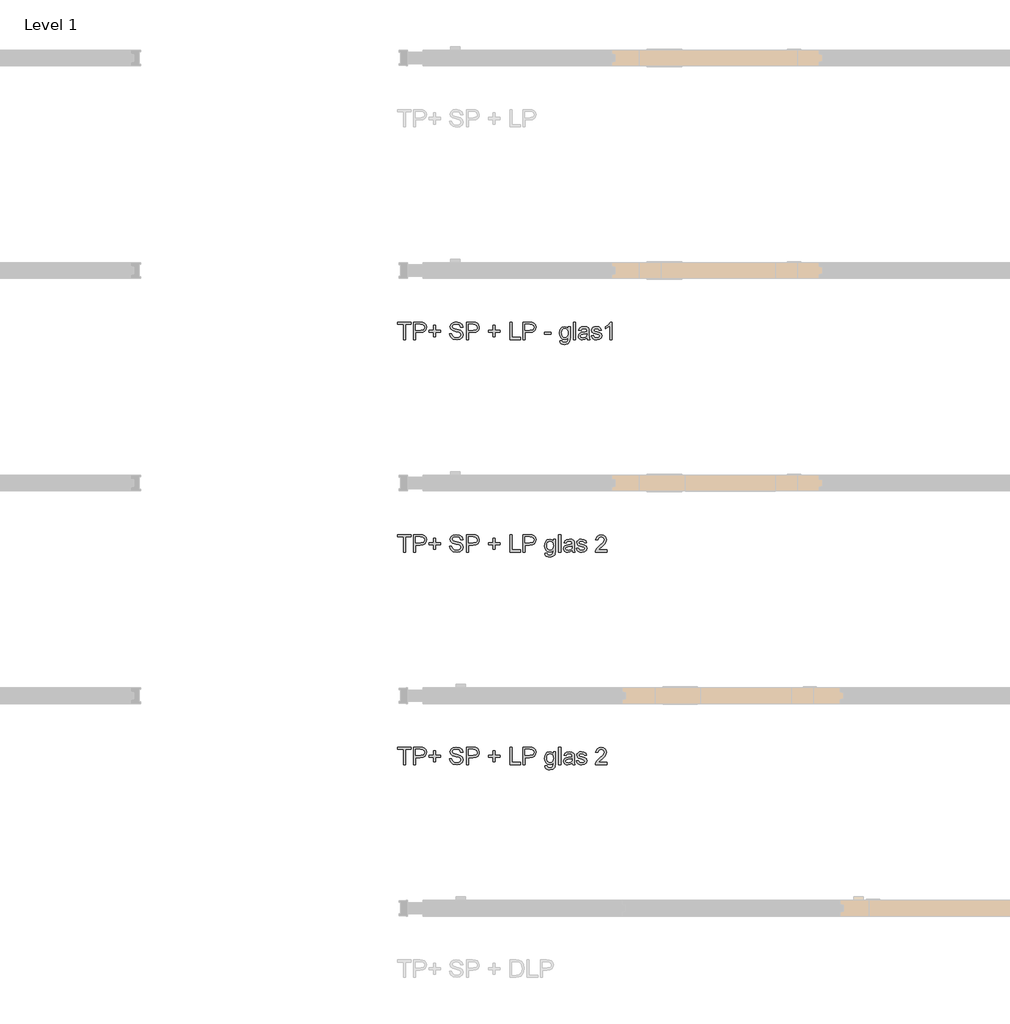
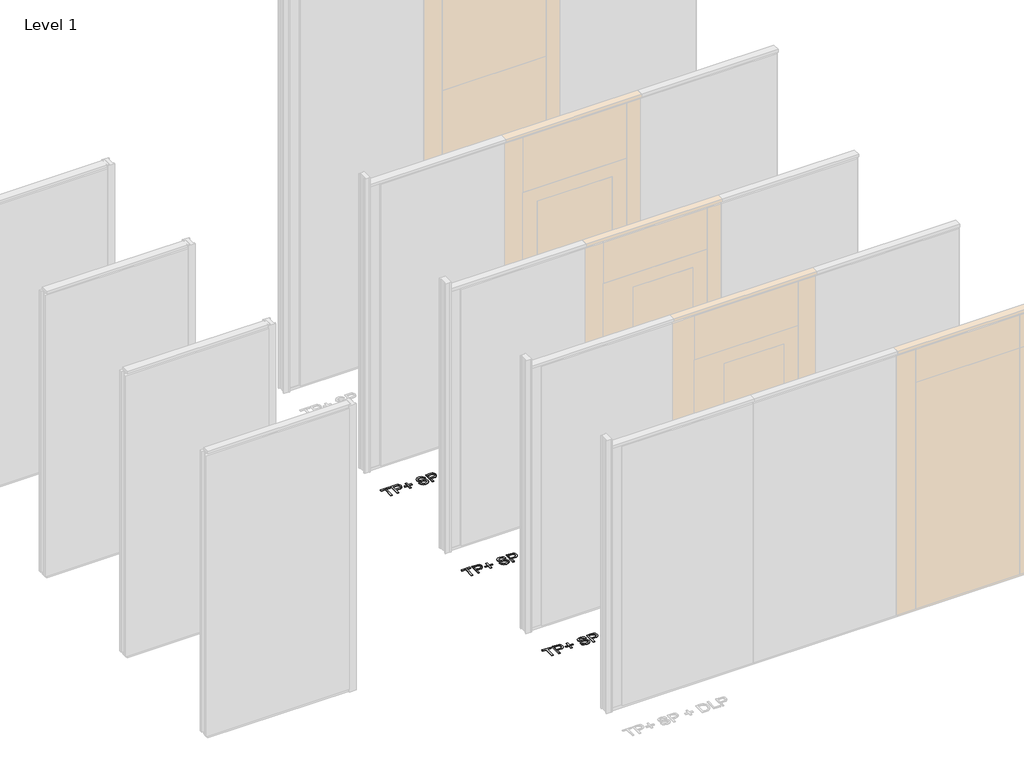
# One storey, part 11 of 17: 3 proxies.
"""IFC4 building model written with IfcOpenShell, lengths in millimetres."""

from ifc_helpers import new_model, si_unit, origin, origin_with_axes, place, context, project, spatial, polyline, outline, extrude, element, save

model = new_model("IFC4")

# Units and contexts
model_context = context("Model", 3, world=origin())
ifc_project = project(units=[si_unit("LENGTHUNIT", "METRE", prefix="MILLI")], contexts=[model_context])

# Site, building, storey
site = spatial("IfcSite", under=ifc_project)
building = spatial("IfcBuilding", under=site)
storey = spatial("IfcBuildingStorey", under=building, Name="Level 1", Elevation=0.0)

# Proxies
placement = place(None, origin())
element("IfcBuildingElementProxy", 1, Name="100 mm", ObjectType="100 mm", at=placement, inside=storey, context=model_context, shape_type="SweptSolid", body=[
    extrude(outline(polyline([(-5974.5064356, 492.9102169), (-5974.5064356, 579.0640631), (-6006.8141279, 579.0640631), (-6006.8141279, 591.3717554), (-5929.891051, 591.3717554), (-5929.891051, 579.0640631), (-5962.1987433, 579.0640631), (-5962.1987433, 492.9102169), (-5974.5064356, 492.9102169)])), origin_with_axes(), (0.0, 0.0, 1.0), 5.0),
    extrude(outline(polyline([(-5916.0448971, 492.9102169), (-5916.0448971, 591.3717554), (-5879.5545125, 591.3717554), (-5864.842974, 590.4342554), (-5852.8838394, 585.83089), (-5845.1314356, 576.3116592), (-5842.1987433, 562.8861784), (-5844.1789115, 551.2816111), (-5850.1194164, 541.61214), (-5861.2281904, 535.0856977), (-5878.7131664, 532.9102169), (-5903.7372048, 532.9102169), (-5903.7372048, 492.9102169), (-5916.0448971, 492.9102169)]), holes=[polyline([(-5903.7372048, 545.2179092), (-5877.9920125, 545.2179092), (-5859.8670125, 549.73714), (-5855.8465798, 555.1758419), (-5854.5064356, 562.4534861), (-5857.6674933, 572.6457938), (-5865.9727817, 578.2227169), (-5878.280474, 579.0640631), (-5903.7372048, 579.0640631), (-5903.7372048, 545.2179092)])]), origin_with_axes(), (0.0, 0.0, 1.0), 5.0),
    extrude(outline(polyline([(-5802.1987433, 508.2948323), (-5802.1987433, 534.4486784), (-5828.3525894, 534.4486784), (-5828.3525894, 546.7563707), (-5802.1987433, 546.7563707), (-5802.1987433, 572.9102169), (-5789.891051, 572.9102169), (-5789.891051, 546.7563707), (-5763.7372048, 546.7563707), (-5763.7372048, 534.4486784), (-5789.891051, 534.4486784), (-5789.891051, 508.2948323), (-5802.1987433, 508.2948323)])), origin_with_axes(), (0.0, 0.0, 1.0), 5.0),
    extrude(outline(polyline([(-5711.4295125, 526.7563707), (-5699.1218202, 526.7563707), (-5695.155474, 514.4366592), (-5685.467974, 506.6481977), (-5670.7083587, 503.6794477), (-5657.8477817, 505.9270438), (-5649.5424933, 512.1049284), (-5646.8141279, 520.36214), (-5648.8573971, 528.0424284), (-5657.2227817, 533.6313707), (-5675.1434548, 538.33089), (-5694.4343202, 544.4006015), (-5704.9030702, 553.5592554), (-5708.3525894, 565.7948323), (-5704.0857625, 579.7251207), (-5691.6218202, 589.5568515), (-5673.3766279, 592.9102169), (-5653.905474, 589.4006015), (-5640.9247048, 579.0881015), (-5636.0448971, 563.6794477), (-5648.3525894, 563.6794477), (-5655.3237433, 576.3236784), (-5672.8958587, 580.6025246), (-5690.516051, 576.3717554), (-5696.0448971, 566.1554092), (-5692.1266279, 557.6217554), (-5672.030474, 550.7467554), (-5650.2516279, 544.5688707), (-5638.3405702, 534.5929092), (-5634.5064356, 520.67464), (-5638.9174933, 505.9510823), (-5651.609801, 495.20589), (-5670.2275894, 491.3717554), (-5692.2107625, 495.5063707), (-5706.1170125, 507.9582938), (-5711.4295125, 526.7563707)])), origin_with_axes(), (0.0, 0.0, 1.0), 5.0),
    extrude(outline(polyline([(-5616.0448971, 492.9102169), (-5616.0448971, 591.3717554), (-5579.5545125, 591.3717554), (-5564.842974, 590.4342554), (-5552.8838394, 585.83089), (-5545.1314356, 576.3116592), (-5542.1987433, 562.8861784), (-5544.1789115, 551.2816111), (-5550.1194164, 541.61214), (-5561.2281904, 535.0856977), (-5578.7131664, 532.9102169), (-5603.7372048, 532.9102169), (-5603.7372048, 492.9102169), (-5616.0448971, 492.9102169)]), holes=[polyline([(-5603.7372048, 545.2179092), (-5577.9920125, 545.2179092), (-5559.8670125, 549.73714), (-5555.8465798, 555.1758419), (-5554.5064356, 562.4534861), (-5557.6674933, 572.6457938), (-5565.9727817, 578.2227169), (-5578.280474, 579.0640631), (-5603.7372048, 579.0640631), (-5603.7372048, 545.2179092)])]), origin_with_axes(), (0.0, 0.0, 1.0), 5.0),
    extrude(outline(polyline([(-5463.7372048, 508.2948323), (-5463.7372048, 534.4486784), (-5489.891051, 534.4486784), (-5489.891051, 546.7563707), (-5463.7372048, 546.7563707), (-5463.7372048, 572.9102169), (-5451.4295125, 572.9102169), (-5451.4295125, 546.7563707), (-5425.2756664, 546.7563707), (-5425.2756664, 534.4486784), (-5451.4295125, 534.4486784), (-5451.4295125, 508.2948323), (-5463.7372048, 508.2948323)])), origin_with_axes(), (0.0, 0.0, 1.0), 5.0),
    extrude(outline(polyline([(-5368.3525894, 492.9102169), (-5368.3525894, 591.3717554), (-5356.0448971, 591.3717554), (-5356.0448971, 505.2179092), (-5306.8141279, 505.2179092), (-5306.8141279, 492.9102169), (-5368.3525894, 492.9102169)])), origin_with_axes(), (0.0, 0.0, 1.0), 5.0),
    extrude(outline(polyline([(-5292.967974, 492.9102169), (-5292.967974, 591.3717554), (-5256.4775894, 591.3717554), (-5241.766051, 590.4342554), (-5229.8069164, 585.83089), (-5222.0545125, 576.3116592), (-5219.1218202, 562.8861784), (-5221.1019885, 551.2816111), (-5227.0424933, 541.61214), (-5238.1512673, 535.0856977), (-5255.6362433, 532.9102169), (-5280.6602817, 532.9102169), (-5280.6602817, 492.9102169), (-5292.967974, 492.9102169)]), holes=[polyline([(-5280.6602817, 545.2179092), (-5254.9150894, 545.2179092), (-5236.7900894, 549.73714), (-5232.7696567, 555.1758419), (-5231.4295125, 562.4534861), (-5234.5905702, 572.6457938), (-5242.8958587, 578.2227169), (-5255.203551, 579.0640631), (-5280.6602817, 579.0640631), (-5280.6602817, 545.2179092)])]), origin_with_axes(), (0.0, 0.0, 1.0), 5.0),
    extrude(outline(polyline([(-5168.3525894, 486.7563707), (-5156.0448971, 485.2179092), (-5152.0545125, 478.7275246), (-5140.1073971, 475.98714), (-5127.5112433, 479.0881015), (-5121.5016279, 487.7900246), (-5120.6602817, 502.1409861), (-5129.3261471, 495.2179092), (-5139.891051, 492.9102169), (-5152.5803539, 495.596515), (-5162.0424933, 503.6554092), (-5167.9289115, 515.4703131), (-5169.891051, 529.42464), (-5166.3694164, 548.4991592), (-5156.1771087, 561.9967554), (-5140.4920125, 566.7563707), (-5129.5124452, 564.0640631), (-5120.6602817, 555.98714), (-5120.6602817, 565.2179092), (-5108.3525894, 565.2179092), (-5108.3525894, 502.7900246), (-5111.717974, 478.8837746), (-5122.3790317, 467.7659861), (-5140.3477817, 463.6794477), (-5151.7991039, 465.1187506), (-5160.8165317, 469.4366592), (-5166.6007865, 476.6451929), (-5168.3525894, 486.7563707)]), holes=[polyline([(-5157.5833587, 530.2659861), (-5156.2702577, 518.9769236), (-5152.3309548, 511.2155054), (-5146.4084789, 506.7173082), (-5139.1458587, 505.2179092), (-5131.937325, 506.7082938), (-5125.984801, 511.1794477), (-5121.9914115, 518.8417073), (-5120.6602817, 529.9054092), (-5122.030474, 540.5754813), (-5126.141051, 548.2587746), (-5132.1807144, 552.9012025), (-5139.3381664, 554.4486784), (-5146.3664115, 552.9252409), (-5152.2588394, 548.3549284), (-5156.2522289, 540.7858179), (-5157.5833587, 530.2659861)])]), origin_with_axes(), (0.0, 0.0, 1.0), 5.0),
    extrude(outline(polyline([(-5089.891051, 492.9102169), (-5089.891051, 591.3717554), (-5077.5833587, 591.3717554), (-5077.5833587, 492.9102169), (-5089.891051, 492.9102169)])), origin_with_axes(), (0.0, 0.0, 1.0), 5.0),
    extrude(outline(polyline([(-5012.967974, 502.1409861), (-5024.9030702, 493.79964), (-5038.0881664, 491.3717554), (-5048.3736231, 492.8320919), (-5055.9607625, 497.2131015), (-5060.6392481, 503.8657457), (-5062.1987433, 512.1409861), (-5059.842974, 521.8765631), (-5053.6530702, 528.9438707), (-5045.0352817, 532.9823323), (-5034.3862433, 534.8332938), (-5013.0400894, 539.0640631), (-5012.967974, 541.8044477), (-5016.3573971, 550.8909861), (-5029.9631664, 554.4486784), (-5042.4150894, 552.08089), (-5048.3525894, 543.6794477), (-5060.6602817, 545.2179092), (-5055.3357625, 557.23714), (-5044.6146087, 564.2804092), (-5028.3766279, 566.7563707), (-5013.4607625, 564.5688707), (-5005.0352817, 559.0760823), (-5001.2612433, 550.7227169), (-5000.6602817, 539.9534861), (-5000.6602817, 524.6409861), (-5000.0352817, 503.2587746), (-4997.5833587, 492.9102169), (-5009.891051, 492.9102169), (-5012.967974, 502.1409861)]), holes=[polyline([(-5012.967974, 526.7563707), (-5032.8237433, 522.9823323), (-5043.4126856, 520.98714), (-5048.2083587, 517.7419477), (-5049.891051, 513.0063707), (-5046.2251856, 506.3477169), (-5035.467974, 503.6794477), (-5023.016051, 506.6241592), (-5014.9872048, 513.7515631), (-5013.0400894, 523.2707938), (-5012.967974, 526.7563707)])]), origin_with_axes(), (0.0, 0.0, 1.0), 5.0),
    extrude(outline(polyline([(-4988.3525894, 514.4486784), (-4976.0448971, 515.98714), (-4970.3477817, 506.8525246), (-4957.2948971, 503.6794477), (-4944.7468202, 506.5881015), (-4940.6602817, 513.4150246), (-4944.7708587, 518.9438707), (-4957.4391279, 522.4534861), (-4975.9727817, 528.4751207), (-4984.061724, 535.5063707), (-4986.8141279, 545.4342554), (-4984.6025894, 554.6049284), (-4978.5689356, 561.61214), (-4970.7444164, 565.2539669), (-4960.155474, 566.7563707), (-4945.1795125, 564.3405054), (-4935.6602817, 557.8020438), (-4931.4295125, 546.7563707), (-4943.7372048, 545.2179092), (-4948.3646087, 552.0087746), (-4959.1939356, 554.4486784), (-4970.9727817, 552.1169477), (-4974.5064356, 546.6842554), (-4973.0400894, 543.1025246), (-4968.4487433, 540.3861784), (-4957.8477817, 537.7659861), (-4939.7828779, 531.9727169), (-4931.3934548, 525.4102169), (-4928.3525894, 514.7131015), (-4931.922301, 502.9342554), (-4942.2227817, 494.3885823), (-4957.4631664, 491.3717554), (-4969.8730221, 492.8260823), (-4978.9295125, 497.1890631), (-4984.9751856, 504.4126207), (-4988.3525894, 514.4486784)])), origin_with_axes(), (0.0, 0.0, 1.0), 5.0),
    extrude(outline(polyline([(-4816.0448971, 505.2179092), (-4816.0448971, 492.9102169), (-4880.6602817, 492.9102169), (-4879.3381664, 501.3957938), (-4871.8622048, 514.4606977), (-4856.453551, 528.7275246), (-4835.203551, 549.2323323), (-4829.891051, 563.17464), (-4834.9030702, 574.4606977), (-4847.9920125, 579.0640631), (-4861.6338394, 574.5688707), (-4866.8141279, 562.1409861), (-4879.1218202, 563.6794477), (-4876.1380462, 575.5844957), (-4869.686724, 584.2804092), (-4860.1043923, 589.5989188), (-4847.7275894, 591.3717554), (-4835.2606423, 589.4006015), (-4825.6963394, 583.48714), (-4819.6116039, 574.6530054), (-4817.5833587, 563.9198323), (-4819.7708587, 552.2491592), (-4827.0424933, 540.1818515), (-4844.6747048, 523.3188707), (-4858.8333587, 511.4799284), (-4864.3862433, 505.2179092), (-4816.0448971, 505.2179092)])), origin_with_axes(), (0.0, 0.0, 1.0), 5.0),
])
element("IfcBuildingElementProxy", 2, Name="100 mm", ObjectType="100 mm", at=placement, inside=storey, context=model_context, shape_type="SweptSolid", body=[
    extrude(outline(polyline([(-5974.5064356, 2912.9102169), (-5974.5064356, 2999.0640631), (-6006.8141279, 2999.0640631), (-6006.8141279, 3011.3717554), (-5929.891051, 3011.3717554), (-5929.891051, 2999.0640631), (-5962.1987433, 2999.0640631), (-5962.1987433, 2912.9102169), (-5974.5064356, 2912.9102169)])), origin_with_axes(), (0.0, 0.0, 1.0), 5.0),
    extrude(outline(polyline([(-5916.0448971, 2912.9102169), (-5916.0448971, 3011.3717554), (-5879.5545125, 3011.3717554), (-5864.842974, 3010.4342554), (-5852.8838394, 3005.83089), (-5845.1314356, 2996.3116592), (-5842.1987433, 2982.8861784), (-5844.1789115, 2971.2816111), (-5850.1194164, 2961.61214), (-5861.2281904, 2955.0856977), (-5878.7131664, 2952.9102169), (-5903.7372048, 2952.9102169), (-5903.7372048, 2912.9102169), (-5916.0448971, 2912.9102169)]), holes=[polyline([(-5903.7372048, 2965.2179092), (-5877.9920125, 2965.2179092), (-5859.8670125, 2969.73714), (-5855.8465798, 2975.1758419), (-5854.5064356, 2982.4534861), (-5857.6674933, 2992.6457938), (-5865.9727817, 2998.2227169), (-5878.280474, 2999.0640631), (-5903.7372048, 2999.0640631), (-5903.7372048, 2965.2179092)])]), origin_with_axes(), (0.0, 0.0, 1.0), 5.0),
    extrude(outline(polyline([(-5802.1987433, 2928.2948323), (-5802.1987433, 2954.4486784), (-5828.3525894, 2954.4486784), (-5828.3525894, 2966.7563707), (-5802.1987433, 2966.7563707), (-5802.1987433, 2992.9102169), (-5789.891051, 2992.9102169), (-5789.891051, 2966.7563707), (-5763.7372048, 2966.7563707), (-5763.7372048, 2954.4486784), (-5789.891051, 2954.4486784), (-5789.891051, 2928.2948323), (-5802.1987433, 2928.2948323)])), origin_with_axes(), (0.0, 0.0, 1.0), 5.0),
    extrude(outline(polyline([(-5711.4295125, 2946.7563707), (-5699.1218202, 2946.7563707), (-5695.155474, 2934.4366592), (-5685.467974, 2926.6481977), (-5670.7083587, 2923.6794477), (-5657.8477817, 2925.9270438), (-5649.5424933, 2932.1049284), (-5646.8141279, 2940.36214), (-5648.8573971, 2948.0424284), (-5657.2227817, 2953.6313707), (-5675.1434548, 2958.33089), (-5694.4343202, 2964.4006015), (-5704.9030702, 2973.5592554), (-5708.3525894, 2985.7948323), (-5704.0857625, 2999.7251207), (-5691.6218202, 3009.5568515), (-5673.3766279, 3012.9102169), (-5653.905474, 3009.4006015), (-5640.9247048, 2999.0881015), (-5636.0448971, 2983.6794477), (-5648.3525894, 2983.6794477), (-5655.3237433, 2996.3236784), (-5672.8958587, 3000.6025246), (-5690.516051, 2996.3717554), (-5696.0448971, 2986.1554092), (-5692.1266279, 2977.6217554), (-5672.030474, 2970.7467554), (-5650.2516279, 2964.5688707), (-5638.3405702, 2954.5929092), (-5634.5064356, 2940.67464), (-5638.9174933, 2925.9510823), (-5651.609801, 2915.20589), (-5670.2275894, 2911.3717554), (-5692.2107625, 2915.5063707), (-5706.1170125, 2927.9582938), (-5711.4295125, 2946.7563707)])), origin_with_axes(), (0.0, 0.0, 1.0), 5.0),
    extrude(outline(polyline([(-5616.0448971, 2912.9102169), (-5616.0448971, 3011.3717554), (-5579.5545125, 3011.3717554), (-5564.842974, 3010.4342554), (-5552.8838394, 3005.83089), (-5545.1314356, 2996.3116592), (-5542.1987433, 2982.8861784), (-5544.1789115, 2971.2816111), (-5550.1194164, 2961.61214), (-5561.2281904, 2955.0856977), (-5578.7131664, 2952.9102169), (-5603.7372048, 2952.9102169), (-5603.7372048, 2912.9102169), (-5616.0448971, 2912.9102169)]), holes=[polyline([(-5603.7372048, 2965.2179092), (-5577.9920125, 2965.2179092), (-5559.8670125, 2969.73714), (-5555.8465798, 2975.1758419), (-5554.5064356, 2982.4534861), (-5557.6674933, 2992.6457938), (-5565.9727817, 2998.2227169), (-5578.280474, 2999.0640631), (-5603.7372048, 2999.0640631), (-5603.7372048, 2965.2179092)])]), origin_with_axes(), (0.0, 0.0, 1.0), 5.0),
    extrude(outline(polyline([(-5463.7372048, 2928.2948323), (-5463.7372048, 2954.4486784), (-5489.891051, 2954.4486784), (-5489.891051, 2966.7563707), (-5463.7372048, 2966.7563707), (-5463.7372048, 2992.9102169), (-5451.4295125, 2992.9102169), (-5451.4295125, 2966.7563707), (-5425.2756664, 2966.7563707), (-5425.2756664, 2954.4486784), (-5451.4295125, 2954.4486784), (-5451.4295125, 2928.2948323), (-5463.7372048, 2928.2948323)])), origin_with_axes(), (0.0, 0.0, 1.0), 5.0),
    extrude(outline(polyline([(-5368.3525894, 2912.9102169), (-5368.3525894, 3011.3717554), (-5356.0448971, 3011.3717554), (-5356.0448971, 2925.2179092), (-5306.8141279, 2925.2179092), (-5306.8141279, 2912.9102169), (-5368.3525894, 2912.9102169)])), origin_with_axes(), (0.0, 0.0, 1.0), 5.0),
    extrude(outline(polyline([(-5292.967974, 2912.9102169), (-5292.967974, 3011.3717554), (-5256.4775894, 3011.3717554), (-5241.766051, 3010.4342554), (-5229.8069164, 3005.83089), (-5222.0545125, 2996.3116592), (-5219.1218202, 2982.8861784), (-5221.1019885, 2971.2816111), (-5227.0424933, 2961.61214), (-5238.1512673, 2955.0856977), (-5255.6362433, 2952.9102169), (-5280.6602817, 2952.9102169), (-5280.6602817, 2912.9102169), (-5292.967974, 2912.9102169)]), holes=[polyline([(-5280.6602817, 2965.2179092), (-5254.9150894, 2965.2179092), (-5236.7900894, 2969.73714), (-5232.7696567, 2975.1758419), (-5231.4295125, 2982.4534861), (-5234.5905702, 2992.6457938), (-5242.8958587, 2998.2227169), (-5255.203551, 2999.0640631), (-5280.6602817, 2999.0640631), (-5280.6602817, 2965.2179092)])]), origin_with_axes(), (0.0, 0.0, 1.0), 5.0),
    extrude(outline(polyline([(-5171.4295125, 2942.1409861), (-5171.4295125, 2954.4486784), (-5132.967974, 2954.4486784), (-5132.967974, 2942.1409861), (-5171.4295125, 2942.1409861)])), origin_with_axes(), (0.0, 0.0, 1.0), 5.0),
    extrude(outline(polyline([(-5083.7372048, 2906.7563707), (-5071.4295125, 2905.2179092), (-5067.4391279, 2898.7275246), (-5055.4920125, 2895.98714), (-5042.8958587, 2899.0881015), (-5036.8862433, 2907.7900246), (-5036.0448971, 2922.1409861), (-5044.7107625, 2915.2179092), (-5055.2756664, 2912.9102169), (-5067.9649692, 2915.596515), (-5077.4271087, 2923.6554092), (-5083.3135269, 2935.4703131), (-5085.2756664, 2949.42464), (-5081.7540317, 2968.4991592), (-5071.561724, 2981.9967554), (-5055.8766279, 2986.7563707), (-5044.8970606, 2984.0640631), (-5036.0448971, 2975.98714), (-5036.0448971, 2985.2179092), (-5023.7372048, 2985.2179092), (-5023.7372048, 2922.7900246), (-5027.1025894, 2898.8837746), (-5037.7636471, 2887.7659861), (-5055.7323971, 2883.6794477), (-5067.1837192, 2885.1187506), (-5076.2011471, 2889.4366592), (-5081.9854019, 2896.6451929), (-5083.7372048, 2906.7563707)]), holes=[polyline([(-5072.967974, 2950.2659861), (-5071.6548731, 2938.9769236), (-5067.7155702, 2931.2155054), (-5061.7930942, 2926.7173082), (-5054.530474, 2925.2179092), (-5047.3219404, 2926.7082938), (-5041.3694164, 2931.1794477), (-5037.3760269, 2938.8417073), (-5036.0448971, 2949.9054092), (-5037.4150894, 2960.5754813), (-5041.5256664, 2968.2587746), (-5047.5653298, 2972.9012025), (-5054.7227817, 2974.4486784), (-5061.7510269, 2972.9252409), (-5067.6434548, 2968.3549284), (-5071.6368442, 2960.7858179), (-5072.967974, 2950.2659861)])]), origin_with_axes(), (0.0, 0.0, 1.0), 5.0),
    extrude(outline(polyline([(-5005.2756664, 2912.9102169), (-5005.2756664, 3011.3717554), (-4992.967974, 3011.3717554), (-4992.967974, 2912.9102169), (-5005.2756664, 2912.9102169)])), origin_with_axes(), (0.0, 0.0, 1.0), 5.0),
    extrude(outline(polyline([(-4928.3525894, 2922.1409861), (-4940.2876856, 2913.79964), (-4953.4727817, 2911.3717554), (-4963.7582385, 2912.8320919), (-4971.3453779, 2917.2131015), (-4976.0238635, 2923.8657457), (-4977.5833587, 2932.1409861), (-4975.2275894, 2941.8765631), (-4969.0376856, 2948.9438707), (-4960.4198971, 2952.9823323), (-4949.7708587, 2954.8332938), (-4928.4247048, 2959.0640631), (-4928.3525894, 2961.8044477), (-4931.7420125, 2970.8909861), (-4945.3477817, 2974.4486784), (-4957.7997048, 2972.08089), (-4963.7372048, 2963.6794477), (-4976.0448971, 2965.2179092), (-4970.7203779, 2977.23714), (-4959.999224, 2984.2804092), (-4943.7612433, 2986.7563707), (-4928.8453779, 2984.5688707), (-4920.4198971, 2979.0760823), (-4916.6458587, 2970.7227169), (-4916.0448971, 2959.9534861), (-4916.0448971, 2944.6409861), (-4915.4198971, 2923.2587746), (-4912.967974, 2912.9102169), (-4925.2756664, 2912.9102169), (-4928.3525894, 2922.1409861)]), holes=[polyline([(-4928.3525894, 2946.7563707), (-4948.2083587, 2942.9823323), (-4958.797301, 2940.98714), (-4963.592974, 2937.7419477), (-4965.2756664, 2933.0063707), (-4961.609801, 2926.3477169), (-4950.8525894, 2923.6794477), (-4938.4006664, 2926.6241592), (-4930.3718202, 2933.7515631), (-4928.4247048, 2943.2707938), (-4928.3525894, 2946.7563707)])]), origin_with_axes(), (0.0, 0.0, 1.0), 5.0),
    extrude(outline(polyline([(-4903.7372048, 2934.4486784), (-4891.4295125, 2935.98714), (-4885.7323971, 2926.8525246), (-4872.6795125, 2923.6794477), (-4860.1314356, 2926.5881015), (-4856.0448971, 2933.4150246), (-4860.155474, 2938.9438707), (-4872.8237433, 2942.4534861), (-4891.3573971, 2948.4751207), (-4899.4463394, 2955.5063707), (-4902.1987433, 2965.4342554), (-4899.9872048, 2974.6049284), (-4893.953551, 2981.61214), (-4886.1290317, 2985.2539669), (-4875.5400894, 2986.7563707), (-4860.5641279, 2984.3405054), (-4851.0448971, 2977.8020438), (-4846.8141279, 2966.7563707), (-4859.1218202, 2965.2179092), (-4863.749224, 2972.0087746), (-4874.578551, 2974.4486784), (-4886.3573971, 2972.1169477), (-4889.891051, 2966.6842554), (-4888.4247048, 2963.1025246), (-4883.8333587, 2960.3861784), (-4873.2323971, 2957.7659861), (-4855.1674933, 2951.9727169), (-4846.7780702, 2945.4102169), (-4843.7372048, 2934.7131015), (-4847.3069164, 2922.9342554), (-4857.6073971, 2914.3885823), (-4872.8477817, 2911.3717554), (-4885.2576375, 2912.8260823), (-4894.3141279, 2917.1890631), (-4900.359801, 2924.4126207), (-4903.7372048, 2934.4486784)])), origin_with_axes(), (0.0, 0.0, 1.0), 5.0),
    extrude(outline(polyline([(-4786.8141279, 2912.9102169), (-4799.1218202, 2912.9102169), (-4799.1218202, 2989.6409861), (-4810.780474, 2981.3356977), (-4823.7372048, 2975.1217554), (-4823.7372048, 2986.7563707), (-4805.6963394, 2998.2707938), (-4794.7468202, 3011.3717554), (-4786.8141279, 3011.3717554), (-4786.8141279, 2912.9102169)])), origin_with_axes(), (0.0, 0.0, 1.0), 5.0),
])
element("IfcBuildingElementProxy", 3, Name="100 mm", ObjectType="100 mm", at=placement, inside=storey, context=model_context, shape_type="SweptSolid", body=[
    extrude(outline(polyline([(-5974.5064356, 1702.9102169), (-5974.5064356, 1789.0640631), (-6006.8141279, 1789.0640631), (-6006.8141279, 1801.3717554), (-5929.891051, 1801.3717554), (-5929.891051, 1789.0640631), (-5962.1987433, 1789.0640631), (-5962.1987433, 1702.9102169), (-5974.5064356, 1702.9102169)])), origin_with_axes(), (0.0, 0.0, 1.0), 5.0),
    extrude(outline(polyline([(-5916.0448971, 1702.9102169), (-5916.0448971, 1801.3717554), (-5879.5545125, 1801.3717554), (-5864.842974, 1800.4342554), (-5852.8838394, 1795.83089), (-5845.1314356, 1786.3116592), (-5842.1987433, 1772.8861784), (-5844.1789115, 1761.2816111), (-5850.1194164, 1751.61214), (-5861.2281904, 1745.0856977), (-5878.7131664, 1742.9102169), (-5903.7372048, 1742.9102169), (-5903.7372048, 1702.9102169), (-5916.0448971, 1702.9102169)]), holes=[polyline([(-5903.7372048, 1755.2179092), (-5877.9920125, 1755.2179092), (-5859.8670125, 1759.73714), (-5855.8465798, 1765.1758419), (-5854.5064356, 1772.4534861), (-5857.6674933, 1782.6457938), (-5865.9727817, 1788.2227169), (-5878.280474, 1789.0640631), (-5903.7372048, 1789.0640631), (-5903.7372048, 1755.2179092)])]), origin_with_axes(), (0.0, 0.0, 1.0), 5.0),
    extrude(outline(polyline([(-5802.1987433, 1718.2948323), (-5802.1987433, 1744.4486784), (-5828.3525894, 1744.4486784), (-5828.3525894, 1756.7563707), (-5802.1987433, 1756.7563707), (-5802.1987433, 1782.9102169), (-5789.891051, 1782.9102169), (-5789.891051, 1756.7563707), (-5763.7372048, 1756.7563707), (-5763.7372048, 1744.4486784), (-5789.891051, 1744.4486784), (-5789.891051, 1718.2948323), (-5802.1987433, 1718.2948323)])), origin_with_axes(), (0.0, 0.0, 1.0), 5.0),
    extrude(outline(polyline([(-5711.4295125, 1736.7563707), (-5699.1218202, 1736.7563707), (-5695.155474, 1724.4366592), (-5685.467974, 1716.6481977), (-5670.7083587, 1713.6794477), (-5657.8477817, 1715.9270438), (-5649.5424933, 1722.1049284), (-5646.8141279, 1730.36214), (-5648.8573971, 1738.0424284), (-5657.2227817, 1743.6313707), (-5675.1434548, 1748.33089), (-5694.4343202, 1754.4006015), (-5704.9030702, 1763.5592554), (-5708.3525894, 1775.7948323), (-5704.0857625, 1789.7251207), (-5691.6218202, 1799.5568515), (-5673.3766279, 1802.9102169), (-5653.905474, 1799.4006015), (-5640.9247048, 1789.0881015), (-5636.0448971, 1773.6794477), (-5648.3525894, 1773.6794477), (-5655.3237433, 1786.3236784), (-5672.8958587, 1790.6025246), (-5690.516051, 1786.3717554), (-5696.0448971, 1776.1554092), (-5692.1266279, 1767.6217554), (-5672.030474, 1760.7467554), (-5650.2516279, 1754.5688707), (-5638.3405702, 1744.5929092), (-5634.5064356, 1730.67464), (-5638.9174933, 1715.9510823), (-5651.609801, 1705.20589), (-5670.2275894, 1701.3717554), (-5692.2107625, 1705.5063707), (-5706.1170125, 1717.9582938), (-5711.4295125, 1736.7563707)])), origin_with_axes(), (0.0, 0.0, 1.0), 5.0),
    extrude(outline(polyline([(-5616.0448971, 1702.9102169), (-5616.0448971, 1801.3717554), (-5579.5545125, 1801.3717554), (-5564.842974, 1800.4342554), (-5552.8838394, 1795.83089), (-5545.1314356, 1786.3116592), (-5542.1987433, 1772.8861784), (-5544.1789115, 1761.2816111), (-5550.1194164, 1751.61214), (-5561.2281904, 1745.0856977), (-5578.7131664, 1742.9102169), (-5603.7372048, 1742.9102169), (-5603.7372048, 1702.9102169), (-5616.0448971, 1702.9102169)]), holes=[polyline([(-5603.7372048, 1755.2179092), (-5577.9920125, 1755.2179092), (-5559.8670125, 1759.73714), (-5555.8465798, 1765.1758419), (-5554.5064356, 1772.4534861), (-5557.6674933, 1782.6457938), (-5565.9727817, 1788.2227169), (-5578.280474, 1789.0640631), (-5603.7372048, 1789.0640631), (-5603.7372048, 1755.2179092)])]), origin_with_axes(), (0.0, 0.0, 1.0), 5.0),
    extrude(outline(polyline([(-5463.7372048, 1718.2948323), (-5463.7372048, 1744.4486784), (-5489.891051, 1744.4486784), (-5489.891051, 1756.7563707), (-5463.7372048, 1756.7563707), (-5463.7372048, 1782.9102169), (-5451.4295125, 1782.9102169), (-5451.4295125, 1756.7563707), (-5425.2756664, 1756.7563707), (-5425.2756664, 1744.4486784), (-5451.4295125, 1744.4486784), (-5451.4295125, 1718.2948323), (-5463.7372048, 1718.2948323)])), origin_with_axes(), (0.0, 0.0, 1.0), 5.0),
    extrude(outline(polyline([(-5368.3525894, 1702.9102169), (-5368.3525894, 1801.3717554), (-5356.0448971, 1801.3717554), (-5356.0448971, 1715.2179092), (-5306.8141279, 1715.2179092), (-5306.8141279, 1702.9102169), (-5368.3525894, 1702.9102169)])), origin_with_axes(), (0.0, 0.0, 1.0), 5.0),
    extrude(outline(polyline([(-5292.967974, 1702.9102169), (-5292.967974, 1801.3717554), (-5256.4775894, 1801.3717554), (-5241.766051, 1800.4342554), (-5229.8069164, 1795.83089), (-5222.0545125, 1786.3116592), (-5219.1218202, 1772.8861784), (-5221.1019885, 1761.2816111), (-5227.0424933, 1751.61214), (-5238.1512673, 1745.0856977), (-5255.6362433, 1742.9102169), (-5280.6602817, 1742.9102169), (-5280.6602817, 1702.9102169), (-5292.967974, 1702.9102169)]), holes=[polyline([(-5280.6602817, 1755.2179092), (-5254.9150894, 1755.2179092), (-5236.7900894, 1759.73714), (-5232.7696567, 1765.1758419), (-5231.4295125, 1772.4534861), (-5234.5905702, 1782.6457938), (-5242.8958587, 1788.2227169), (-5255.203551, 1789.0640631), (-5280.6602817, 1789.0640631), (-5280.6602817, 1755.2179092)])]), origin_with_axes(), (0.0, 0.0, 1.0), 5.0),
    extrude(outline(polyline([(-5168.3525894, 1696.7563707), (-5156.0448971, 1695.2179092), (-5152.0545125, 1688.7275246), (-5140.1073971, 1685.98714), (-5127.5112433, 1689.0881015), (-5121.5016279, 1697.7900246), (-5120.6602817, 1712.1409861), (-5129.3261471, 1705.2179092), (-5139.891051, 1702.9102169), (-5152.5803539, 1705.596515), (-5162.0424933, 1713.6554092), (-5167.9289115, 1725.4703131), (-5169.891051, 1739.42464), (-5166.3694164, 1758.4991592), (-5156.1771087, 1771.9967554), (-5140.4920125, 1776.7563707), (-5129.5124452, 1774.0640631), (-5120.6602817, 1765.98714), (-5120.6602817, 1775.2179092), (-5108.3525894, 1775.2179092), (-5108.3525894, 1712.7900246), (-5111.717974, 1688.8837746), (-5122.3790317, 1677.7659861), (-5140.3477817, 1673.6794477), (-5151.7991039, 1675.1187506), (-5160.8165317, 1679.4366592), (-5166.6007865, 1686.6451929), (-5168.3525894, 1696.7563707)]), holes=[polyline([(-5157.5833587, 1740.2659861), (-5156.2702577, 1728.9769236), (-5152.3309548, 1721.2155054), (-5146.4084789, 1716.7173082), (-5139.1458587, 1715.2179092), (-5131.937325, 1716.7082938), (-5125.984801, 1721.1794477), (-5121.9914115, 1728.8417073), (-5120.6602817, 1739.9054092), (-5122.030474, 1750.5754813), (-5126.141051, 1758.2587746), (-5132.1807144, 1762.9012025), (-5139.3381664, 1764.4486784), (-5146.3664115, 1762.9252409), (-5152.2588394, 1758.3549284), (-5156.2522289, 1750.7858179), (-5157.5833587, 1740.2659861)])]), origin_with_axes(), (0.0, 0.0, 1.0), 5.0),
    extrude(outline(polyline([(-5089.891051, 1702.9102169), (-5089.891051, 1801.3717554), (-5077.5833587, 1801.3717554), (-5077.5833587, 1702.9102169), (-5089.891051, 1702.9102169)])), origin_with_axes(), (0.0, 0.0, 1.0), 5.0),
    extrude(outline(polyline([(-5012.967974, 1712.1409861), (-5024.9030702, 1703.79964), (-5038.0881664, 1701.3717554), (-5048.3736231, 1702.8320919), (-5055.9607625, 1707.2131015), (-5060.6392481, 1713.8657457), (-5062.1987433, 1722.1409861), (-5059.842974, 1731.8765631), (-5053.6530702, 1738.9438707), (-5045.0352817, 1742.9823323), (-5034.3862433, 1744.8332938), (-5013.0400894, 1749.0640631), (-5012.967974, 1751.8044477), (-5016.3573971, 1760.8909861), (-5029.9631664, 1764.4486784), (-5042.4150894, 1762.08089), (-5048.3525894, 1753.6794477), (-5060.6602817, 1755.2179092), (-5055.3357625, 1767.23714), (-5044.6146087, 1774.2804092), (-5028.3766279, 1776.7563707), (-5013.4607625, 1774.5688707), (-5005.0352817, 1769.0760823), (-5001.2612433, 1760.7227169), (-5000.6602817, 1749.9534861), (-5000.6602817, 1734.6409861), (-5000.0352817, 1713.2587746), (-4997.5833587, 1702.9102169), (-5009.891051, 1702.9102169), (-5012.967974, 1712.1409861)]), holes=[polyline([(-5012.967974, 1736.7563707), (-5032.8237433, 1732.9823323), (-5043.4126856, 1730.98714), (-5048.2083587, 1727.7419477), (-5049.891051, 1723.0063707), (-5046.2251856, 1716.3477169), (-5035.467974, 1713.6794477), (-5023.016051, 1716.6241592), (-5014.9872048, 1723.7515631), (-5013.0400894, 1733.2707938), (-5012.967974, 1736.7563707)])]), origin_with_axes(), (0.0, 0.0, 1.0), 5.0),
    extrude(outline(polyline([(-4988.3525894, 1724.4486784), (-4976.0448971, 1725.98714), (-4970.3477817, 1716.8525246), (-4957.2948971, 1713.6794477), (-4944.7468202, 1716.5881015), (-4940.6602817, 1723.4150246), (-4944.7708587, 1728.9438707), (-4957.4391279, 1732.4534861), (-4975.9727817, 1738.4751207), (-4984.061724, 1745.5063707), (-4986.8141279, 1755.4342554), (-4984.6025894, 1764.6049284), (-4978.5689356, 1771.61214), (-4970.7444164, 1775.2539669), (-4960.155474, 1776.7563707), (-4945.1795125, 1774.3405054), (-4935.6602817, 1767.8020438), (-4931.4295125, 1756.7563707), (-4943.7372048, 1755.2179092), (-4948.3646087, 1762.0087746), (-4959.1939356, 1764.4486784), (-4970.9727817, 1762.1169477), (-4974.5064356, 1756.6842554), (-4973.0400894, 1753.1025246), (-4968.4487433, 1750.3861784), (-4957.8477817, 1747.7659861), (-4939.7828779, 1741.9727169), (-4931.3934548, 1735.4102169), (-4928.3525894, 1724.7131015), (-4931.922301, 1712.9342554), (-4942.2227817, 1704.3885823), (-4957.4631664, 1701.3717554), (-4969.8730221, 1702.8260823), (-4978.9295125, 1707.1890631), (-4984.9751856, 1714.4126207), (-4988.3525894, 1724.4486784)])), origin_with_axes(), (0.0, 0.0, 1.0), 5.0),
    extrude(outline(polyline([(-4816.0448971, 1715.2179092), (-4816.0448971, 1702.9102169), (-4880.6602817, 1702.9102169), (-4879.3381664, 1711.3957938), (-4871.8622048, 1724.4606977), (-4856.453551, 1738.7275246), (-4835.203551, 1759.2323323), (-4829.891051, 1773.17464), (-4834.9030702, 1784.4606977), (-4847.9920125, 1789.0640631), (-4861.6338394, 1784.5688707), (-4866.8141279, 1772.1409861), (-4879.1218202, 1773.6794477), (-4876.1380462, 1785.5844957), (-4869.686724, 1794.2804092), (-4860.1043923, 1799.5989188), (-4847.7275894, 1801.3717554), (-4835.2606423, 1799.4006015), (-4825.6963394, 1793.48714), (-4819.6116039, 1784.6530054), (-4817.5833587, 1773.9198323), (-4819.7708587, 1762.2491592), (-4827.0424933, 1750.1818515), (-4844.6747048, 1733.3188707), (-4858.8333587, 1721.4799284), (-4864.3862433, 1715.2179092), (-4816.0448971, 1715.2179092)])), origin_with_axes(), (0.0, 0.0, 1.0), 5.0),
])

save(model, "model.ifc")
